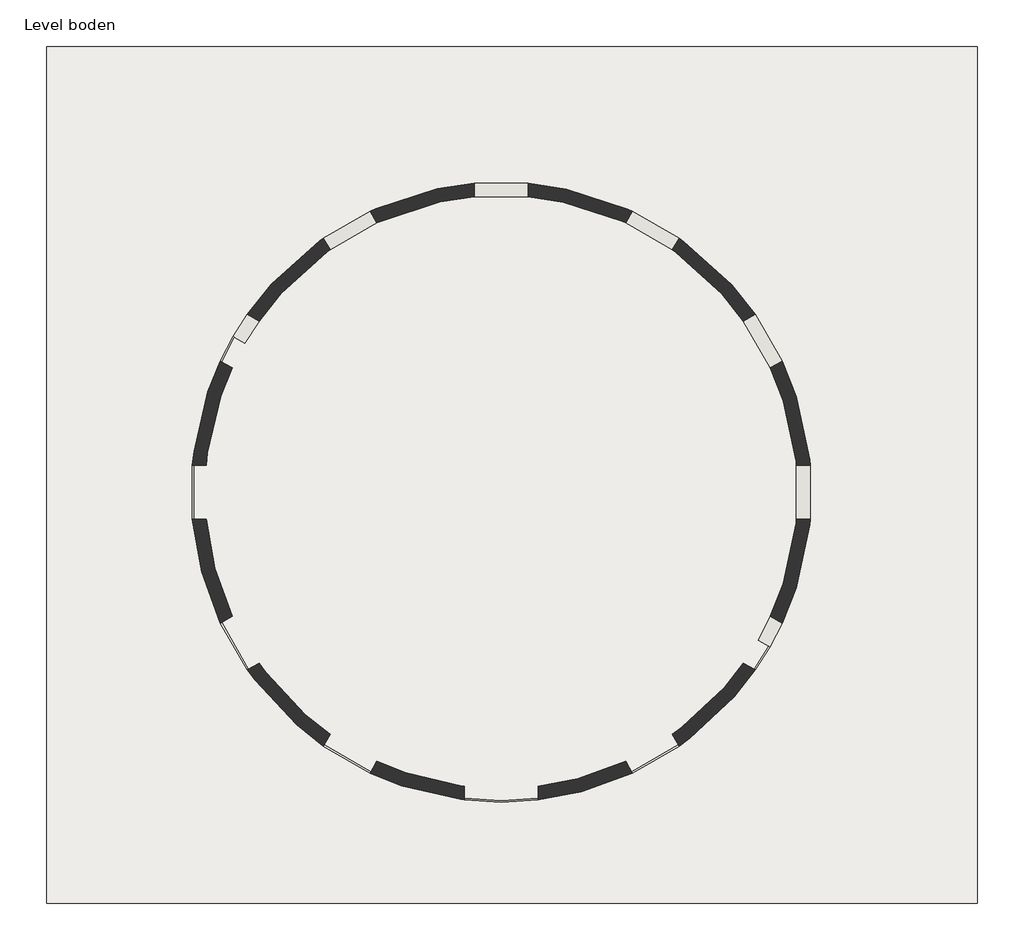
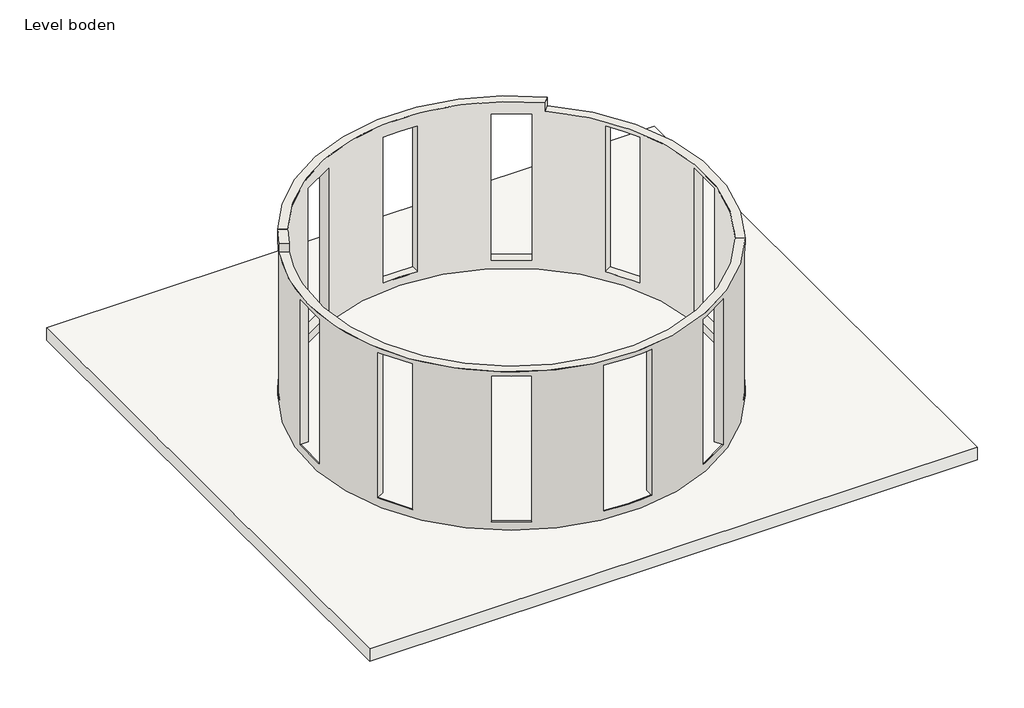
# One storey: 2 walls, 1 slab.
"""IFC4 building model written with IfcOpenShell, lengths in millimetres."""

from ifc_helpers import new_model, si_unit, frame, origin, place, context, project, spatial, polyline, circle_curve, outline, extrude, element, save
from ifc_brep_helpers import plane_surface, cylinder_surface, revolved_surface, advanced_brep

model = new_model("IFC4")

# Units and contexts
model_context = context("Model", 3, world=origin())
ifc_project = project(units=[si_unit("LENGTHUNIT", "METRE", prefix="MILLI")], contexts=[model_context])

# Site, building, storey
site = spatial("IfcSite", under=ifc_project)
building = spatial("IfcBuilding", under=site)
storey = spatial("IfcBuildingStorey", under=building, Name="Level boden", Elevation=0.0)

# Slab
placement = place(None, origin())
element("IfcSlab", 1, ObjectType="FLR-EX 01", at=placement, inside=storey, context=model_context, shape_type="SweptSolid", body=[
    extrude(outline(polyline([(7059.4135237, 6605.2256818), (7059.4135237, -6094.7743182), (-6740.5864763, -6094.7743182), (-6740.5864763, 6605.2256818), (7059.4135237, 6605.2256818)])), frame((0.0, 0.0, -300.0), z_axis=(0.0, 0.0, 1.0), x_axis=(1.0, 0.0, 0.0)), (0.0, 0.0, 1.0), 300.0),
])

# Walls
element("IfcWall", 2, ObjectType="Generic - 200mm", at=placement, inside=storey, context=model_context, shape_type="AdvancedBrep", body=[
    advanced_brep(
    [(-3973.9452276, 2306.8992887, 4000.0), (-3800.9769914, 2206.4901793, 4000.0), (2750.0570965, 3428.2956358, 4000.0), (2878.6445768, 3581.5402274, 4000.0), (3806.1816496, -2197.5, 0.0), (-3800.9769914, 2206.4901793, 0.0), (-3956.648404, 2296.8583777, 0.0), (-3973.9452276, 2306.8992887, 0.0), (3979.3867304, -2297.5, 0.0), (3962.0662223, -2287.5, 0.0), (3806.1816496, -2197.5, 200.0), (3990.3850398, -1841.9696616, 200.0), (3990.3850398, -1841.9696616, 3700.0), (3806.1816496, -2197.5, 3700.0), (3806.1816496, -2197.5, 3800.0), (2750.0570965, 3428.2956358, 3800.0), (-3800.9769914, 2206.4901793, 3700.0), (-3590.3850398, 2534.7899846, 3700.0), (-3590.3850398, 2534.7899846, 200.0), (-3800.9769914, 2206.4901793, 200.0), (3590.3850398, 2534.7899846, 200.0), (3590.3850398, 2534.7899846, 3700.0), (3990.3850398, 1841.9696616, 3700.0), (3990.3850398, 1841.9696616, 200.0), (4376.7596461, 400.0, 200.0), (4376.7596461, 400.0, 3700.0), (4376.7596461, -400.0, 3700.0), (4376.7596461, -400.0, 200.0), (-1841.9696616, 3990.3850398, 3700.0), (-1841.9696616, 3990.3850398, 200.0), (-2534.7899846, 3590.3850398, 200.0), (-2534.7899846, 3590.3850398, 3700.0), (2534.7899846, 3590.3850398, 3700.0), (2534.7899846, 3590.3850398, 200.0), (1841.9696616, 3990.3850398, 200.0), (1841.9696616, 3990.3850398, 3700.0), (400.0, 4376.7596461, 3700.0), (400.0, 4376.7596461, 200.0), (-400.0, 4376.7596461, 200.0), (-400.0, 4376.7596461, 3700.0), (3979.3867304, -2297.5, 200.0), (3962.0662223, -2287.5, 200.0), (3979.3867304, -2297.5, 3700.0), (3979.3867304, -2297.5, 3800.0), (-3973.9452276, 2306.8992887, 200.0), (-3764.2803571, 2635.1884929, 200.0), (-3764.2803571, 2635.1884929, 3700.0), (-3973.9452276, 2306.8992887, 3700.0), (2878.6445768, 3581.5402274, 3800.0), (4164.2803571, -1942.3681698, 3700.0), (4164.2803571, -1942.3681698, 200.0), (3764.2803571, 2635.1884929, 3700.0), (3764.2803571, 2635.1884929, 200.0), (4164.2803571, 1942.3681698, 200.0), (4164.2803571, 1942.3681698, 3700.0), (4577.5566627, 400.0, 3700.0), (4577.5566627, 400.0, 200.0), (4577.5566627, -400.0, 200.0), (4577.5566627, -400.0, 3700.0), (-1942.3681698, 4164.2803571, 200.0), (-1942.3681698, 4164.2803571, 3700.0), (-2635.1884929, 3764.2803571, 3700.0), (-2635.1884929, 3764.2803571, 200.0), (2635.1884929, 3764.2803571, 200.0), (2635.1884929, 3764.2803571, 3700.0), (1942.3681698, 4164.2803571, 3700.0), (1942.3681698, 4164.2803571, 200.0), (400.0, 4577.5566627, 200.0), (400.0, 4577.5566627, 3700.0), (-400.0, 4577.5566627, 3700.0), (-400.0, 4577.5566627, 200.0), (-3956.648404, 2296.8583777, 200.0)],
    [
        (0, 1),
        (1, 2, circle_curve(frame((0.0, 0.0, 4000.0), z_axis=(0.0, 0.0, -1.0), x_axis=(0.8660254037844108, -0.5000000000000482, 0.0)), 4395.0)),
        (2, 3),
        (3, 0, circle_curve(frame((0.0, 0.0, 4000.0), z_axis=(0.0, 0.0, 1.0), x_axis=(0.8660254037844108, -0.5000000000000482, 0.0)), 4595.0)),
        (4, 5, circle_curve(frame((0.0, 0.0, 0.0), z_axis=(0.0, 0.0, 1.0), x_axis=(0.8660254037844108, -0.5000000000000482, 0.0)), 4395.0)),
        (5, 6),
        (6, 7),
        (7, 8, circle_curve(frame((0.0, 0.0, 0.0), z_axis=(0.0, 0.0, -1.0), x_axis=(0.8660254037844108, -0.5000000000000482, 0.0)), 4595.0)),
        (8, 9),
        (9, 4),
        (4, 10),
        (10, 11, circle_curve(frame((0.0, 0.0, 200.0), z_axis=(0.0, 0.0, 1.0), x_axis=(0.8660254037844108, -0.5000000000000482, 0.0)), 4395.0)),
        (11, 12),
        (12, 13, circle_curve(frame((0.0, 0.0, 3700.0), z_axis=(0.0, 0.0, -1.0), x_axis=(0.8660254037844108, -0.5000000000000482, 0.0)), 4395.0)),
        (13, 14),
        (14, 15, circle_curve(frame((0.0, 0.0, 3800.0), z_axis=(0.0, 0.0, 1.0), x_axis=(0.8660254037844108, -0.5000000000000482, 0.0)), 4395.0)),
        (15, 2),
        (1, 16),
        (16, 17, circle_curve(frame((0.0, 0.0, 3700.0), z_axis=(0.0, 0.0, -1.0), x_axis=(0.8660254037844108, -0.5000000000000482, 0.0)), 4395.0)),
        (17, 18),
        (18, 19, circle_curve(frame((0.0, 0.0, 200.0), z_axis=(0.0, 0.0, 1.0), x_axis=(0.8660254037844108, -0.5000000000000482, 0.0)), 4395.0)),
        (19, 5),
        (20, 21),
        (21, 22, circle_curve(frame((0.0, 0.0, 3700.0), z_axis=(0.0, 0.0, -1.0), x_axis=(0.8660254037844108, -0.5000000000000482, 0.0)), 4395.0)),
        (22, 23),
        (23, 20, circle_curve(frame((0.0, 0.0, 200.0), z_axis=(0.0, 0.0, 1.0), x_axis=(0.8660254037844108, -0.5000000000000482, 0.0)), 4395.0)),
        (24, 25),
        (25, 26, circle_curve(frame((0.0, 0.0, 3700.0), z_axis=(0.0, 0.0, -1.0), x_axis=(0.8660254037844108, -0.5000000000000482, 0.0)), 4395.0)),
        (26, 27),
        (27, 24, circle_curve(frame((0.0, 0.0, 200.0), z_axis=(0.0, 0.0, 1.0), x_axis=(0.8660254037844108, -0.5000000000000482, 0.0)), 4395.0)),
        (28, 29),
        (29, 30, circle_curve(frame((0.0, 0.0, 200.0), z_axis=(0.0, 0.0, 1.0), x_axis=(0.8660254037844108, -0.5000000000000482, 0.0)), 4395.0)),
        (30, 31),
        (31, 28, circle_curve(frame((0.0, 0.0, 3700.0), z_axis=(0.0, 0.0, -1.0), x_axis=(0.8660254037844108, -0.5000000000000482, 0.0)), 4395.0)),
        (32, 33),
        (33, 34, circle_curve(frame((0.0, 0.0, 200.0), z_axis=(0.0, 0.0, 1.0), x_axis=(0.8660254037844108, -0.5000000000000482, 0.0)), 4395.0)),
        (34, 35),
        (35, 32, circle_curve(frame((0.0, 0.0, 3700.0), z_axis=(0.0, 0.0, -1.0), x_axis=(0.8660254037844108, -0.5000000000000482, 0.0)), 4395.0)),
        (36, 37),
        (37, 38, circle_curve(frame((0.0, 0.0, 200.0), z_axis=(0.0, 0.0, 1.0), x_axis=(0.8660254037844108, -0.5000000000000482, 0.0)), 4395.0)),
        (38, 39),
        (39, 36, circle_curve(frame((0.0, 0.0, 3700.0), z_axis=(0.0, 0.0, -1.0), x_axis=(0.8660254037844108, -0.5000000000000482, 0.0)), 4395.0)),
        (8, 40),
        (40, 41),
        (41, 10),
        (13, 42),
        (42, 43),
        (43, 14),
        (7, 44),
        (44, 45, circle_curve(frame((0.0, 0.0, 200.0), z_axis=(0.0, 0.0, -1.0), x_axis=(0.8660254037844108, -0.5000000000000482, 0.0)), 4595.0)),
        (45, 46),
        (46, 47, circle_curve(frame((0.0, 0.0, 3700.0), z_axis=(0.0, 0.0, 1.0), x_axis=(0.8660254037844108, -0.5000000000000482, 0.0)), 4595.0)),
        (47, 0),
        (3, 48),
        (48, 43, circle_curve(frame((0.0, 0.0, 3800.0), z_axis=(0.0, 0.0, -1.0), x_axis=(0.8660254037844108, -0.5000000000000482, 0.0)), 4595.0)),
        (42, 49, circle_curve(frame((0.0, 0.0, 3700.0), z_axis=(0.0, 0.0, 1.0), x_axis=(0.8660254037844108, -0.5000000000000482, 0.0)), 4595.0)),
        (49, 50),
        (50, 40, circle_curve(frame((0.0, 0.0, 200.0), z_axis=(0.0, 0.0, -1.0), x_axis=(0.8660254037844108, -0.5000000000000482, 0.0)), 4595.0)),
        (51, 52),
        (52, 53, circle_curve(frame((0.0, 0.0, 200.0), z_axis=(0.0, 0.0, -1.0), x_axis=(0.8660254037844108, -0.5000000000000482, 0.0)), 4595.0)),
        (53, 54),
        (54, 51, circle_curve(frame((0.0, 0.0, 3700.0), z_axis=(0.0, 0.0, 1.0), x_axis=(0.8660254037844108, -0.5000000000000482, 0.0)), 4595.0)),
        (55, 56),
        (56, 57, circle_curve(frame((0.0, 0.0, 200.0), z_axis=(0.0, 0.0, -1.0), x_axis=(0.8660254037844108, -0.5000000000000482, 0.0)), 4595.0)),
        (57, 58),
        (58, 55, circle_curve(frame((0.0, 0.0, 3700.0), z_axis=(0.0, 0.0, 1.0), x_axis=(0.8660254037844108, -0.5000000000000482, 0.0)), 4595.0)),
        (59, 60),
        (60, 61, circle_curve(frame((0.0, 0.0, 3700.0), z_axis=(0.0, 0.0, 1.0), x_axis=(0.8660254037844108, -0.5000000000000482, 0.0)), 4595.0)),
        (61, 62),
        (62, 59, circle_curve(frame((0.0, 0.0, 200.0), z_axis=(0.0, 0.0, -1.0), x_axis=(0.8660254037844108, -0.5000000000000482, 0.0)), 4595.0)),
        (63, 64),
        (64, 65, circle_curve(frame((0.0, 0.0, 3700.0), z_axis=(0.0, 0.0, 1.0), x_axis=(0.8660254037844108, -0.5000000000000482, 0.0)), 4595.0)),
        (65, 66),
        (66, 63, circle_curve(frame((0.0, 0.0, 200.0), z_axis=(0.0, 0.0, -1.0), x_axis=(0.8660254037844108, -0.5000000000000482, 0.0)), 4595.0)),
        (67, 68),
        (68, 69, circle_curve(frame((0.0, 0.0, 3700.0), z_axis=(0.0, 0.0, 1.0), x_axis=(0.8660254037844108, -0.5000000000000482, 0.0)), 4595.0)),
        (69, 70),
        (70, 67, circle_curve(frame((0.0, 0.0, 200.0), z_axis=(0.0, 0.0, -1.0), x_axis=(0.8660254037844108, -0.5000000000000482, 0.0)), 4595.0)),
        (47, 16),
        (19, 71),
        (71, 44),
        (48, 15),
        (20, 52),
        (51, 21),
        (54, 22),
        (53, 23),
        (46, 17),
        (45, 18),
        (11, 50),
        (49, 12),
        (24, 56),
        (55, 25),
        (58, 26),
        (57, 27),
        (59, 29),
        (28, 60),
        (31, 61),
        (30, 62),
        (63, 33),
        (32, 64),
        (35, 65),
        (34, 66),
        (67, 37),
        (36, 68),
        (39, 69),
        (38, 70),
    ],
    [
        plane_surface(frame((3806.1816496, -2197.5, 4000.0), z_axis=(0.0, 0.0, 1.0), x_axis=(-0.5000000000000482, -0.8660254037844108, 0.0))),
        plane_surface(frame((3806.1816496, -2197.5, 0.0), z_axis=(0.0, 0.0, -1.0), x_axis=(0.5000000000000482, 0.8660254037844108, 0.0))),
        revolved_surface(polyline([(3806.1816496324855, -2197.500000000212, 0.0), (3806.1816496324855, -2197.500000000212, 4000.0)]), (0.0, 0.0, 0.0), (0.0, 0.0, -1.0)),
        plane_surface(frame((3806.1816496, -2197.5, 4000.0), z_axis=(-0.5000000000001714, -0.8660254037843397, 0.0), x_axis=(0.0, 0.0, -1.0))),
        cylinder_surface(frame((0.0, 0.0, 0.0), z_axis=(0.0, 0.0, 1.0), x_axis=(0.8660254037844108, -0.5000000000000482, 0.0)), 4595.0),
        plane_surface(frame((-3973.9452276, 2306.8992887, 4000.0), z_axis=(-0.5020455470466799, -0.8648411811949058, 0.0), x_axis=(0.0, 0.0, -1.0))),
        plane_surface(frame((-2974.3131198, 1317.4184981, 3800.0), z_axis=(0.0, 0.0, 1.0), x_axis=(0.9143240425218073, -0.40498338887734686, 0.0))),
        plane_surface(frame((1656.8838577, 2125.5025011, 3800.0), z_axis=(0.7660444431189665, -0.6427876096865531, 0.0), x_axis=(0.0, 0.0, 1.0))),
        plane_surface(frame((3590.3850398, 2534.7899846, 200.0), z_axis=(0.49999999999993183, -0.866025403784478, 0.0), x_axis=(0.866025403784478, 0.49999999999993183, 0.0))),
        plane_surface(frame((3590.3850398, 2534.7899846, 3700.0), z_axis=(0.0, 0.0, -1.0), x_axis=(0.8660254037845443, 0.4999999999998171, 0.0))),
        plane_surface(frame((3990.3850398, 1841.9696616, 3700.0), z_axis=(-0.4999999999999276, 0.8660254037844805, 0.0), x_axis=(0.8660254037844805, 0.4999999999999276, 0.0))),
        plane_surface(frame((3990.3850398, 1841.9696616, 200.0), z_axis=(0.0, 0.0, 1.0), x_axis=(0.8660254037845501, 0.49999999999980704, 0.0))),
        plane_surface(frame((-5310.8979917, 2604.3681698, 3700.0), z_axis=(0.0, 0.0, -1.0), x_axis=(0.8660254037844003, -0.5000000000000664, 0.0))),
        plane_surface(frame((-4910.8979917, 3297.1884929, 3700.0), z_axis=(-0.5000000000000664, -0.8660254037844004, 0.0), x_axis=(0.8660254037844004, -0.5000000000000664, 0.0))),
        plane_surface(frame((-4910.8979917, 3297.1884929, 200.0), z_axis=(0.0, 0.0, 1.0), x_axis=(0.8660254037844004, -0.5000000000000664, 0.0))),
        plane_surface(frame((5310.8979917, -2604.3681698, 200.0), z_axis=(-0.50000000000008, -0.8660254037843925, 0.0), x_axis=(-0.8660254037843925, 0.50000000000008, 0.0))),
        plane_surface(frame((5310.8979917, -2604.3681698, 3700.0), z_axis=(0.0, 0.0, -1.0), x_axis=(-0.8660254037843925, 0.50000000000008, 0.0))),
        plane_surface(frame((4910.8979917, -3297.1884929, 200.0), z_axis=(0.0, 0.0, 1.0000000000000002), x_axis=(-0.8660254037843926, 0.5000000000000799, 0.0))),
        plane_surface(frame((4376.7596461, 400.0, 200.0), z_axis=(0.0, -1.0, 0.0), x_axis=(1.0, 0.0, 0.0))),
        plane_surface(frame((4376.7596461, 400.0, 3700.0), z_axis=(0.0, 0.0, -1.0), x_axis=(1.0, 0.0, 0.0))),
        plane_surface(frame((4376.7596461, -400.0, 3700.0), z_axis=(0.0, 1.0, 0.0), x_axis=(1.0, 0.0, 0.0))),
        plane_surface(frame((4376.7596461, -400.0, 200.0), z_axis=(0.0, 0.0, 1.0), x_axis=(1.0, 0.0, 0.0))),
        plane_surface(frame((-1942.3681698, 4164.2803571, 200.0), z_axis=(-0.866025403784399, -0.5000000000000688, 0.0), x_axis=(0.5000000000000688, -0.866025403784399, 0.0))),
        plane_surface(frame((-1942.3681698, 4164.2803571, 3700.0), z_axis=(0.0, 0.0, -1.0), x_axis=(0.4999999999999429, -0.8660254037844717, 0.0))),
        plane_surface(frame((-2635.1884929, 3764.2803571, 3700.0), z_axis=(0.866025403784399, 0.5000000000000688, 0.0), x_axis=(0.5000000000000688, -0.866025403784399, 0.0))),
        plane_surface(frame((-2635.1884929, 3764.2803571, 200.0), z_axis=(0.0, 0.0, 1.0), x_axis=(0.4999999999999416, -0.8660254037844723, 0.0))),
        plane_surface(frame((2635.1884929, 3764.2803571, 200.0), z_axis=(-0.8660254037844842, 0.4999999999999211, 0.0), x_axis=(-0.4999999999999211, -0.8660254037844842, 0.0))),
        plane_surface(frame((2635.1884929, 3764.2803571, 3700.0), z_axis=(0.0, 0.0, -1.0000000000000002), x_axis=(-0.5000000000000558, -0.8660254037844065, 0.0))),
        plane_surface(frame((1942.3681698, 4164.2803571, 3700.0), z_axis=(0.8660254037844776, -0.49999999999993266, 0.0), x_axis=(-0.49999999999993266, -0.8660254037844776, 0.0))),
        plane_surface(frame((1942.3681698, 4164.2803571, 200.0), z_axis=(0.0, 0.0, 1.0), x_axis=(-0.5000000000000491, -0.8660254037844103, 0.0))),
        plane_surface(frame((400.0, 4577.5566627, 200.0), z_axis=(-1.0, 0.0, 0.0), x_axis=(0.0, -1.0, 0.0))),
        plane_surface(frame((400.0, 4577.5566627, 3700.0), z_axis=(0.0, 0.0, -1.0), x_axis=(0.0, -1.0, 0.0))),
        plane_surface(frame((-400.0, 4577.5566627, 3700.0), z_axis=(1.0, 0.0, 0.0), x_axis=(0.0, -1.0, 0.0))),
        plane_surface(frame((-400.0, 4577.5566627, 200.0), z_axis=(0.0, 0.0, 1.0), x_axis=(0.0, -1.0, 0.0))),
    ],
    [
        (0, [[1, 2, 3, 4]]),
        (1, [[5, 6, 7, 8, 9, 10]]),
        (2, [[-5, 11, 12, 13, 14, 15, 16, 17, -2, 18, 19, 20, 21, 22], [23, 24, 25, 26], [27, 28, 29, 30], [31, 32, 33, 34], [35, 36, 37, 38], [39, 40, 41, 42]]),
        (3, [[-10, -9, 43, 44, 45, -11]]),
        (3, [[46, 47, 48, -15]]),
        (4, [[-8, 49, 50, 51, 52, 53, -4, 54, 55, -47, 56, 57, 58, -43], [59, 60, 61, 62], [63, 64, 65, 66], [67, 68, 69, 70], [71, 72, 73, 74], [75, 76, 77, 78]]),
        (5, [[-1, -53, 79, -18]]),
        (5, [[-7, -6, -22, 80, 81, -49]]),
        (6, [[82, -16, -48, -55]]),
        (7, [[-82, -54, -3, -17]]),
        (8, [[-23, 83, -59, 84]]),
        (9, [[-24, -84, -62, 85]]),
        (10, [[-25, -85, -61, 86]]),
        (11, [[-26, -86, -60, -83]]),
        (12, [[87, -19, -79, -52]]),
        (13, [[-87, -51, 88, -20]]),
        (14, [[-88, -50, -81, -80, -21]]),
        (15, [[89, -57, 90, -13]]),
        (16, [[-90, -56, -46, -14]]),
        (17, [[-89, -12, -45, -44, -58]]),
        (18, [[-27, 91, -63, 92]]),
        (19, [[-28, -92, -66, 93]]),
        (20, [[-29, -93, -65, 94]]),
        (21, [[-30, -94, -64, -91]]),
        (22, [[-67, 95, -31, 96]]),
        (23, [[-68, -96, -34, 97]]),
        (24, [[-69, -97, -33, 98]]),
        (25, [[-70, -98, -32, -95]]),
        (26, [[-71, 99, -35, 100]]),
        (27, [[-72, -100, -38, 101]]),
        (28, [[-73, -101, -37, 102]]),
        (29, [[-74, -102, -36, -99]]),
        (30, [[-75, 103, -39, 104]]),
        (31, [[-76, -104, -42, 105]]),
        (32, [[-77, -105, -41, 106]]),
        (33, [[-78, -106, -40, -103]]),
    ],
),
])
element("IfcWall", 3, ObjectType="Generic - 200mm", at=placement, inside=storey, context=model_context, shape_type="AdvancedBrep", body=[
    advanced_brep(
    [(-3800.9769914, 2206.4901793, 4000.0), (-3973.9452276, 2306.8992887, 4000.0), (-4201.3189754, 1860.8986719, 4000.0), (-4018.4541669, 1779.9019941, 4000.0), (3979.3867304, -2297.5, 0.0), (-3973.9452276, 2306.8992887, 0.0), (-3956.648404, 2296.8583777, 0.0), (-3962.0662223, 2287.5, 0.0), (3962.0662223, -2287.5, 0.0), (3590.3850398, -2534.7899846, 200.0), (2534.7899846, -3590.3850398, 200.0), (2534.7899846, -3590.3850398, 3700.0), (1841.9696616, -3990.3850398, 3700.0), (1841.9696616, -3990.3850398, 200.0), (550.0, -4360.4500914, 200.0), (550.0, -4360.4500914, 3700.0), (-550.0, -4360.4500914, 3700.0), (-550.0, -4360.4500914, 200.0), (-1841.9696616, -3990.3850398, 200.0), (-1841.9696616, -3990.3850398, 3700.0), (-2534.7899846, -3590.3850398, 3700.0), (-2534.7899846, -3590.3850398, 200.0), (-3590.3850398, -2534.7899846, 200.0), (-3590.3850398, -2534.7899846, 3700.0), (-3990.3850398, -1841.9696616, 3700.0), (-3990.3850398, -1841.9696616, 200.0), (-4376.7596461, -400.0, 200.0), (-4376.7596461, -400.0, 3700.0), (-4376.7596461, 400.0, 3700.0), (-4376.7596461, 400.0, 200.0), (-4344.0196605, 667.4714895, 200.0), (-4310.331914, 858.5241936, 200.0), (-3990.3850398, 1841.9696616, 200.0), (-3990.3850398, 1841.9696616, 3700.0), (-3800.9769914, 2206.4901793, 3700.0), (-4018.4541669, 1779.9019941, 3800.0), (-4310.331914, 858.5241936, 3800.0), (-4344.0196605, 667.4714895, 3800.0), (3806.1816496, -2197.5, 3800.0), (3806.1816496, -2197.5, 3700.0), (3590.3850398, -2534.7899846, 3700.0), (-3973.9452276, 2306.8992887, 3700.0), (-3973.9452276, 2306.8992887, 200.0), (-3956.648404, 2296.8583777, 200.0), (3979.3867304, -2297.5, 200.0), (3764.2803571, -2635.1884929, 200.0), (3764.2803571, -2635.1884929, 3700.0), (3979.3867304, -2297.5, 3700.0), (3979.3867304, -2297.5, 3800.0), (-4201.3189754, 1860.8986719, 3800.0), (-4164.2803571, 1942.3681698, 3700.0), (-4164.2803571, 1942.3681698, 200.0), (2635.1884929, -3764.2803571, 3700.0), (2635.1884929, -3764.2803571, 200.0), (1942.3681698, -4164.2803571, 200.0), (1942.3681698, -4164.2803571, 3700.0), (-1942.3681698, -4164.2803571, 3700.0), (-1942.3681698, -4164.2803571, 200.0), (-2635.1884929, -3764.2803571, 200.0), (-2635.1884929, -3764.2803571, 3700.0), (-3764.2803571, -2635.1884929, 3700.0), (-3764.2803571, -2635.1884929, 200.0), (-4164.2803571, -1942.3681698, 200.0), (-4164.2803571, -1942.3681698, 3700.0), (-4577.5566627, -400.0, 3700.0), (-4577.5566627, -400.0, 200.0), (-4577.5566627, 400.0, 200.0), (-4577.5566627, 400.0, 3700.0), (-550.0, -4561.9650371, 200.0), (-550.0, -4561.9650371, 3700.0), (550.0, -4561.9650371, 3700.0), (550.0, -4561.9650371, 200.0), (3962.0662223, -2287.5, 200.0), (3746.893557, -2625.1502191, 200.0), (2625.1502191, -3746.893557, 200.0), (1932.3298961, -4146.893557, 200.0), (550.0, -4541.8195693, 200.0), (-4557.4801152, 400.0, 200.0), (-4146.893557, 1932.3298961, 200.0), (-550.0, -4541.8195693, 200.0), (-1932.3298961, -4146.893557, 200.0), (-2625.1502191, -3746.893557, 200.0), (-3746.893557, -2625.1502191, 200.0), (-4146.893557, -1932.3298961, 200.0), (-4557.4801152, -400.0, 200.0), (-3962.0662223, 2287.5, 200.0)],
    [
        (0, 1),
        (1, 2, circle_curve(frame((0.0, 0.0, 4000.0), z_axis=(0.0, 0.0, 1.0), x_axis=(0.8660254037844108, -0.5000000000000482, 0.0)), 4595.0)),
        (2, 3),
        (3, 0, circle_curve(frame((0.0, 0.0, 4000.0), z_axis=(0.0, 0.0, -1.0), x_axis=(0.8660254037844108, -0.5000000000000482, 0.0)), 4395.0)),
        (4, 5, circle_curve(frame((0.0, 0.0, 0.0), z_axis=(0.0, 0.0, -1.0), x_axis=(0.8660254037844108, -0.5000000000000482, 0.0)), 4595.0)),
        (5, 6),
        (6, 7, circle_curve(frame((0.0, 0.0, 0.0), z_axis=(0.0, 0.0, 1.0), x_axis=(0.8660254037844108, -0.5000000000000482, 0.0)), 4575.0)),
        (7, 8, circle_curve(frame((0.0, 0.0, 0.0), z_axis=(0.0, 0.0, 1.0), x_axis=(0.8660254037844108, -0.5000000000000482, 0.0)), 4575.0)),
        (8, 4),
        (9, 10, circle_curve(frame((0.0, 0.0, 200.0), z_axis=(0.0, 0.0, -1.0), x_axis=(0.8660254037844108, -0.5000000000000482, 0.0)), 4395.0)),
        (10, 11),
        (11, 12, circle_curve(frame((0.0, 0.0, 3700.0), z_axis=(0.0, 0.0, -1.0), x_axis=(0.8660254037844108, -0.5000000000000482, 0.0)), 4395.0)),
        (12, 13),
        (13, 14, circle_curve(frame((0.0, 0.0, 200.0), z_axis=(0.0, 0.0, -1.0), x_axis=(0.8660254037844108, -0.5000000000000482, 0.0)), 4395.0)),
        (14, 15),
        (15, 16, circle_curve(frame((0.0, 0.0, 3700.0), z_axis=(0.0, 0.0, -1.0), x_axis=(0.8660254037844108, -0.5000000000000482, 0.0)), 4395.0)),
        (16, 17),
        (17, 18, circle_curve(frame((0.0, 0.0, 200.0), z_axis=(0.0, 0.0, -1.0), x_axis=(0.8660254037844108, -0.5000000000000482, 0.0)), 4395.0)),
        (18, 19),
        (19, 20, circle_curve(frame((0.0, 0.0, 3700.0), z_axis=(0.0, 0.0, -1.0), x_axis=(0.8660254037844108, -0.5000000000000482, 0.0)), 4395.0)),
        (20, 21),
        (21, 22, circle_curve(frame((0.0, 0.0, 200.0), z_axis=(0.0, 0.0, -1.0), x_axis=(0.8660254037844108, -0.5000000000000482, 0.0)), 4395.0)),
        (22, 23),
        (23, 24, circle_curve(frame((0.0, 0.0, 3700.0), z_axis=(0.0, 0.0, -1.0), x_axis=(0.8660254037844108, -0.5000000000000482, 0.0)), 4395.0)),
        (24, 25),
        (25, 26, circle_curve(frame((0.0, 0.0, 200.0), z_axis=(0.0, 0.0, -1.0), x_axis=(0.8660254037844108, -0.5000000000000482, 0.0)), 4395.0)),
        (26, 27),
        (27, 28, circle_curve(frame((0.0, 0.0, 3700.0), z_axis=(0.0, 0.0, -1.0), x_axis=(0.8660254037844108, -0.5000000000000482, 0.0)), 4395.0)),
        (28, 29),
        (29, 30, circle_curve(frame((0.0, 0.0, 200.0), z_axis=(0.0, 0.0, -1.0), x_axis=(0.8660254037844108, -0.5000000000000482, 0.0)), 4395.0)),
        (30, 31, circle_curve(frame((0.0, 0.0, 200.0), z_axis=(0.0, 0.0, -1.0), x_axis=(0.8660254037844108, -0.5000000000000482, 0.0)), 4395.0)),
        (31, 32, circle_curve(frame((0.0, 0.0, 200.0), z_axis=(0.0, 0.0, -1.0), x_axis=(0.8660254037844108, -0.5000000000000482, 0.0)), 4395.0)),
        (32, 33),
        (33, 34, circle_curve(frame((0.0, 0.0, 3700.0), z_axis=(0.0, 0.0, -1.0), x_axis=(0.8660254037844108, -0.5000000000000482, 0.0)), 4395.0)),
        (34, 0),
        (3, 35),
        (35, 36, circle_curve(frame((0.0, 0.0, 3800.0), z_axis=(0.0, 0.0, 1.0), x_axis=(0.8660254037844108, -0.5000000000000482, 0.0)), 4395.0)),
        (36, 37, circle_curve(frame((0.0, 0.0, 3800.0), z_axis=(0.0, 0.0, 1.0), x_axis=(0.8660254037844108, -0.5000000000000482, 0.0)), 4395.0)),
        (37, 38, circle_curve(frame((0.0, 0.0, 3800.0), z_axis=(0.0, 0.0, 1.0), x_axis=(0.8660254037844108, -0.5000000000000482, 0.0)), 4395.0)),
        (38, 39),
        (39, 40, circle_curve(frame((0.0, 0.0, 3700.0), z_axis=(0.0, 0.0, -1.0), x_axis=(0.8660254037844108, -0.5000000000000482, 0.0)), 4395.0)),
        (40, 9),
        (34, 41),
        (41, 1),
        (5, 42),
        (42, 43),
        (43, 6),
        (4, 44),
        (44, 45, circle_curve(frame((0.0, 0.0, 200.0), z_axis=(0.0, 0.0, -1.0), x_axis=(0.8660254037844108, -0.5000000000000482, 0.0)), 4595.0)),
        (45, 46),
        (46, 47, circle_curve(frame((0.0, 0.0, 3700.0), z_axis=(0.0, 0.0, 1.0), x_axis=(0.8660254037844108, -0.5000000000000482, 0.0)), 4595.0)),
        (47, 48),
        (48, 49, circle_curve(frame((0.0, 0.0, 3800.0), z_axis=(0.0, 0.0, -1.0), x_axis=(0.8660254037844108, -0.5000000000000482, 0.0)), 4595.0)),
        (49, 2),
        (41, 50, circle_curve(frame((0.0, 0.0, 3700.0), z_axis=(0.0, 0.0, 1.0), x_axis=(0.8660254037844108, -0.5000000000000482, 0.0)), 4595.0)),
        (50, 51),
        (51, 42, circle_curve(frame((0.0, 0.0, 200.0), z_axis=(0.0, 0.0, -1.0), x_axis=(0.8660254037844108, -0.5000000000000482, 0.0)), 4595.0)),
        (52, 53),
        (53, 54, circle_curve(frame((0.0, 0.0, 200.0), z_axis=(0.0, 0.0, -1.0), x_axis=(0.8660254037844108, -0.5000000000000482, 0.0)), 4595.0)),
        (54, 55),
        (55, 52, circle_curve(frame((0.0, 0.0, 3700.0), z_axis=(0.0, 0.0, 1.0), x_axis=(0.8660254037844108, -0.5000000000000482, 0.0)), 4595.0)),
        (56, 57),
        (57, 58, circle_curve(frame((0.0, 0.0, 200.0), z_axis=(0.0, 0.0, -1.0), x_axis=(0.8660254037844108, -0.5000000000000482, 0.0)), 4595.0)),
        (58, 59),
        (59, 56, circle_curve(frame((0.0, 0.0, 3700.0), z_axis=(0.0, 0.0, 1.0), x_axis=(0.8660254037844108, -0.5000000000000482, 0.0)), 4595.0)),
        (60, 61),
        (61, 62, circle_curve(frame((0.0, 0.0, 200.0), z_axis=(0.0, 0.0, -1.0), x_axis=(0.8660254037844108, -0.5000000000000482, 0.0)), 4595.0)),
        (62, 63),
        (63, 60, circle_curve(frame((0.0, 0.0, 3700.0), z_axis=(0.0, 0.0, 1.0), x_axis=(0.8660254037844108, -0.5000000000000482, 0.0)), 4595.0)),
        (64, 65),
        (65, 66, circle_curve(frame((0.0, 0.0, 200.0), z_axis=(0.0, 0.0, -1.0), x_axis=(0.8660254037844108, -0.5000000000000482, 0.0)), 4595.0)),
        (66, 67),
        (67, 64, circle_curve(frame((0.0, 0.0, 3700.0), z_axis=(0.0, 0.0, 1.0), x_axis=(0.8660254037844108, -0.5000000000000482, 0.0)), 4595.0)),
        (68, 69),
        (69, 70, circle_curve(frame((0.0, 0.0, 3700.0), z_axis=(0.0, 0.0, 1.0), x_axis=(0.8660254037844108, -0.5000000000000482, 0.0)), 4595.0)),
        (70, 71),
        (71, 68, circle_curve(frame((0.0, 0.0, 200.0), z_axis=(0.0, 0.0, -1.0), x_axis=(0.8660254037844108, -0.5000000000000482, 0.0)), 4595.0)),
        (8, 72),
        (72, 44),
        (47, 39),
        (38, 48),
        (9, 73),
        (73, 74, circle_curve(frame((0.0, 0.0, 200.0), z_axis=(0.0, 0.0, -1.0), x_axis=(0.8660254037844108, -0.5000000000000482, 0.0)), 4575.0)),
        (74, 10),
        (13, 75),
        (75, 76, circle_curve(frame((0.0, 0.0, 200.0), z_axis=(0.0, 0.0, -1.0), x_axis=(0.8660254037844108, -0.5000000000000482, 0.0)), 4575.0)),
        (76, 14),
        (29, 77),
        (77, 78, circle_curve(frame((0.0, 0.0, 200.0), z_axis=(0.0, 0.0, -1.0), x_axis=(0.8660254037844108, -0.5000000000000482, 0.0)), 4575.0)),
        (78, 32),
        (17, 79),
        (79, 80, circle_curve(frame((0.0, 0.0, 200.0), z_axis=(0.0, 0.0, -1.0), x_axis=(0.8660254037844108, -0.5000000000000482, 0.0)), 4575.0)),
        (80, 18),
        (21, 81),
        (81, 82, circle_curve(frame((0.0, 0.0, 200.0), z_axis=(0.0, 0.0, -1.0), x_axis=(0.8660254037844108, -0.5000000000000482, 0.0)), 4575.0)),
        (82, 22),
        (25, 83),
        (83, 84, circle_curve(frame((0.0, 0.0, 200.0), z_axis=(0.0, 0.0, -1.0), x_axis=(0.8660254037844108, -0.5000000000000482, 0.0)), 4575.0)),
        (84, 26),
        (85, 7),
        (43, 85, circle_curve(frame((0.0, 0.0, 200.0), z_axis=(0.0, 0.0, 1.0), x_axis=(0.8660254037844108, -0.5000000000000482, 0.0)), 4575.0)),
        (85, 78, circle_curve(frame((0.0, 0.0, 200.0), z_axis=(0.0, 0.0, 1.0), x_axis=(0.8660254037844108, -0.5000000000000482, 0.0)), 4575.0)),
        (77, 84, circle_curve(frame((0.0, 0.0, 200.0), z_axis=(0.0, 0.0, 1.0), x_axis=(0.8660254037844108, -0.5000000000000482, 0.0)), 4575.0)),
        (83, 82, circle_curve(frame((0.0, 0.0, 200.0), z_axis=(0.0, 0.0, 1.0), x_axis=(0.8660254037844108, -0.5000000000000482, 0.0)), 4575.0)),
        (81, 80, circle_curve(frame((0.0, 0.0, 200.0), z_axis=(0.0, 0.0, 1.0), x_axis=(0.8660254037844108, -0.5000000000000482, 0.0)), 4575.0)),
        (79, 76, circle_curve(frame((0.0, 0.0, 200.0), z_axis=(0.0, 0.0, 1.0), x_axis=(0.8660254037844108, -0.5000000000000482, 0.0)), 4575.0)),
        (75, 74, circle_curve(frame((0.0, 0.0, 200.0), z_axis=(0.0, 0.0, 1.0), x_axis=(0.8660254037844108, -0.5000000000000482, 0.0)), 4575.0)),
        (73, 72, circle_curve(frame((0.0, 0.0, 200.0), z_axis=(0.0, 0.0, 1.0), x_axis=(0.8660254037844108, -0.5000000000000482, 0.0)), 4575.0)),
        (35, 49),
        (50, 33),
        (78, 51),
        (74, 53),
        (52, 11),
        (55, 12),
        (54, 75),
        (46, 40),
        (45, 73),
        (80, 57),
        (56, 19),
        (59, 20),
        (58, 81),
        (82, 61),
        (60, 23),
        (63, 24),
        (62, 83),
        (84, 65),
        (64, 27),
        (67, 28),
        (66, 77),
        (16, 69),
        (68, 79),
        (15, 70),
        (76, 71),
    ],
    [
        plane_surface(frame((3806.1816496, -2197.5, 4000.0), z_axis=(0.0, 0.0, 1.0), x_axis=(-0.5000000000000482, -0.8660254037844108, 0.0))),
        plane_surface(frame((3806.1816496, -2197.5, 0.0), z_axis=(0.0, 0.0, -1.0), x_axis=(0.5000000000000482, 0.8660254037844108, 0.0))),
        revolved_surface(polyline([(3806.1816496324855, -2197.500000000212, 200.0), (3806.1816496324855, -2197.500000000212, 4000.0)]), (0.0, 0.0, 0.0), (0.0, 0.0, -1.0)),
        plane_surface(frame((-3800.9769914, 2206.4901793, 4000.0), z_axis=(0.502045547046659, 0.864841181194918, 0.0), x_axis=(0.0, 0.0, -1.0))),
        cylinder_surface(frame((0.0, 0.0, 0.0), z_axis=(0.0, 0.0, 1.0), x_axis=(0.8660254037844108, -0.5000000000000482, 0.0)), 4595.0),
        plane_surface(frame((3979.3867304, -2297.5, 4000.0), z_axis=(0.5000000000001714, 0.8660254037843397, 0.0), x_axis=(0.0, 0.0, -1.0))),
        plane_surface(frame((3962.0662223, -2287.5, 200.0), z_axis=(0.0, 0.0, -1.0), x_axis=(0.5000000000000482, 0.8660254037844108, 0.0))),
        revolved_surface(polyline([(3962.0662223136796, -2287.5000000002206, 0.0), (3962.0662223136796, -2287.5000000002206, 200.0)]), (0.0, 0.0, 200.0), (0.0, 0.0, -1.0)),
        plane_surface(frame((-2974.3131198, 1317.4184981, 3800.0), z_axis=(0.0, 0.0, 1.0), x_axis=(0.9143240425218073, -0.40498338887734686, 0.0))),
        plane_surface(frame((-4475.6161881, 1982.3936886, 3800.0), z_axis=(-0.40498338887734686, -0.9143240425218073, 0.0), x_axis=(0.0, 0.0, 1.0))),
        plane_surface(frame((-5310.8979917, 2604.3681698, 200.0), z_axis=(0.5000000000000664, 0.8660254037844003, 0.0), x_axis=(0.8660254037844003, -0.5000000000000664, 0.0))),
        plane_surface(frame((-5310.8979917, 2604.3681698, 3700.0), z_axis=(0.0, 0.0, -1.0), x_axis=(0.8660254037844003, -0.5000000000000664, 0.0))),
        plane_surface(frame((-4910.8979917, 3297.1884929, 200.0), z_axis=(0.0, 0.0, 1.0), x_axis=(0.8660254037844004, -0.5000000000000664, 0.0))),
        plane_surface(frame((2534.7899846, -3590.3850398, 200.0), z_axis=(-0.8660254037844769, -0.49999999999993383, 0.0), x_axis=(0.49999999999993383, -0.8660254037844769, 0.0))),
        plane_surface(frame((2534.7899846, -3590.3850398, 3700.0), z_axis=(0.0, 0.0, -1.0000000000000002), x_axis=(0.4999999999996754, -0.8660254037846261, 0.0))),
        plane_surface(frame((1841.9696616, -3990.3850398, 3700.0), z_axis=(0.8660254037844883, 0.499999999999914, 0.0), x_axis=(0.499999999999914, -0.8660254037844883, 0.0))),
        plane_surface(frame((1841.9696616, -3990.3850398, 200.0), z_axis=(0.0, 0.0, 1.0), x_axis=(0.49999999999967987, -0.8660254037846234, 0.0))),
        plane_surface(frame((5310.8979917, -2604.3681698, 3700.0), z_axis=(0.0, 0.0, -1.0), x_axis=(-0.8660254037843925, 0.50000000000008, 0.0))),
        plane_surface(frame((4910.8979917, -3297.1884929, 3700.0), z_axis=(0.5000000000000799, 0.8660254037843926, 0.0), x_axis=(-0.8660254037843926, 0.5000000000000799, 0.0))),
        plane_surface(frame((4910.8979917, -3297.1884929, 200.0), z_axis=(0.0, 0.0, 1.0000000000000002), x_axis=(-0.8660254037843926, 0.5000000000000799, 0.0))),
        plane_surface(frame((-1841.9696616, -3990.3850398, 200.0), z_axis=(-0.8660254037844158, 0.5000000000000396, 0.0), x_axis=(-0.5000000000000396, -0.8660254037844158, 0.0))),
        plane_surface(frame((-1841.9696616, -3990.3850398, 3700.0), z_axis=(0.0, 0.0, -1.0), x_axis=(-0.500000000000331, -0.8660254037842476, 0.0))),
        plane_surface(frame((-2534.7899846, -3590.3850398, 3700.0), z_axis=(0.8660254037843833, -0.500000000000096, 0.0), x_axis=(-0.500000000000096, -0.8660254037843833, 0.0))),
        plane_surface(frame((-2534.7899846, -3590.3850398, 200.0), z_axis=(0.0, 0.0, 1.0), x_axis=(-0.500000000000318, -0.8660254037842551, 0.0))),
        plane_surface(frame((-3590.3850398, -2534.7899846, 200.0), z_axis=(-0.49999999999992545, 0.8660254037844817, 0.0), x_axis=(-0.8660254037844817, -0.49999999999992545, 0.0))),
        plane_surface(frame((-3590.3850398, -2534.7899846, 3700.0), z_axis=(0.0, 0.0, -1.0), x_axis=(-0.8660254037846129, -0.49999999999969824, 0.0))),
        plane_surface(frame((-3990.3850398, -1841.9696616, 3700.0), z_axis=(0.49999999999992023, -0.8660254037844847, 0.0), x_axis=(-0.8660254037844847, -0.49999999999992023, 0.0))),
        plane_surface(frame((-3990.3850398, -1841.9696616, 200.0), z_axis=(0.0, 0.0, 1.0), x_axis=(-0.8660254037846326, -0.49999999999966427, 0.0))),
        plane_surface(frame((-4376.7596461, -400.0, 200.0), z_axis=(0.0, 1.0, 0.0), x_axis=(-1.0, 0.0, 0.0))),
        plane_surface(frame((-4376.7596461, -400.0, 3700.0), z_axis=(0.0, 0.0, -1.0), x_axis=(-1.0, 0.0, 0.0))),
        plane_surface(frame((-4376.7596461, 400.0, 3700.0), z_axis=(0.0, -1.0, 0.0), x_axis=(-1.0, 0.0, 0.0))),
        plane_surface(frame((-4376.7596461, 400.0, 200.0), z_axis=(0.0, 0.0, 1.0), x_axis=(-1.0, 0.0, 0.0))),
        plane_surface(frame((-550.0, -2837.9650371, 200.0), z_axis=(1.0, 0.0, 0.0), x_axis=(0.0, -1.0, 0.0))),
        plane_surface(frame((-550.0, -2837.9650371, 3700.0), z_axis=(0.0, 0.0, -1.0), x_axis=(0.0, -1.0, 0.0))),
        plane_surface(frame((550.0, -2837.9650371, 3700.0), z_axis=(-1.0, 0.0, 0.0), x_axis=(0.0, -1.0, 0.0))),
        plane_surface(frame((550.0, -2837.9650371, 200.0), z_axis=(0.0, 0.0, 1.0), x_axis=(0.0, -1.0, 0.0))),
    ],
    [
        (0, [[1, 2, 3, 4]]),
        (1, [[5, 6, 7, 8, 9]]),
        (2, [[10, 11, 12, 13, 14, 15, 16, 17, 18, 19, 20, 21, 22, 23, 24, 25, 26, 27, 28, 29, 30, 31, 32, 33, 34, 35, -4, 36, 37, 38, 39, 40, 41, 42]]),
        (3, [[-1, -35, 43, 44]]),
        (3, [[-6, 45, 46, 47]]),
        (4, [[-5, 48, 49, 50, 51, 52, 53, 54, -2, -44, 55, 56, 57, -45], [58, 59, 60, 61], [62, 63, 64, 65], [66, 67, 68, 69], [70, 71, 72, 73], [74, 75, 76, 77]]),
        (5, [[-9, 78, 79, -48]]),
        (5, [[80, -40, 81, -52]]),
        (6, [[-10, 82, 83, 84]]),
        (6, [[-14, 85, 86, 87]]),
        (6, [[-32, -31, -30, 88, 89, 90]]),
        (6, [[-18, 91, 92, 93]]),
        (6, [[-22, 94, 95, 96]]),
        (6, [[-26, 97, 98, 99]]),
        (7, [[100, -7, -47, 101]]),
        (7, [[-100, 102, -89, 103, -98, 104, -95, 105, -92, 106, -86, 107, -83, 108, -78, -8]]),
        (8, [[109, -53, -81, -39, -38, -37]]),
        (9, [[-109, -36, -3, -54]]),
        (10, [[110, -33, -90, 111, -56]]),
        (11, [[-110, -55, -43, -34]]),
        (12, [[-57, -111, -102, -101, -46]]),
        (13, [[-11, -84, 112, -58, 113]]),
        (14, [[-12, -113, -61, 114]]),
        (15, [[-13, -114, -60, 115, -85]]),
        (16, [[-59, -112, -107, -115]]),
        (17, [[116, -41, -80, -51]]),
        (18, [[-116, -50, 117, -82, -42]]),
        (19, [[-49, -79, -108, -117]]),
        (20, [[-19, -93, 118, -62, 119]]),
        (21, [[-20, -119, -65, 120]]),
        (22, [[-21, -120, -64, 121, -94]]),
        (23, [[-63, -118, -105, -121]]),
        (24, [[-23, -96, 122, -66, 123]]),
        (25, [[-24, -123, -69, 124]]),
        (26, [[-25, -124, -68, 125, -97]]),
        (27, [[-67, -122, -104, -125]]),
        (28, [[-27, -99, 126, -70, 127]]),
        (29, [[-28, -127, -73, 128]]),
        (30, [[-29, -128, -72, 129, -88]]),
        (31, [[-71, -126, -103, -129]]),
        (32, [[130, -74, 131, -91, -17]]),
        (33, [[-130, -16, 132, -75]]),
        (34, [[-76, -132, -15, -87, 133]]),
        (35, [[-77, -133, -106, -131]]),
    ],
),
])

save(model, "model.ifc")
